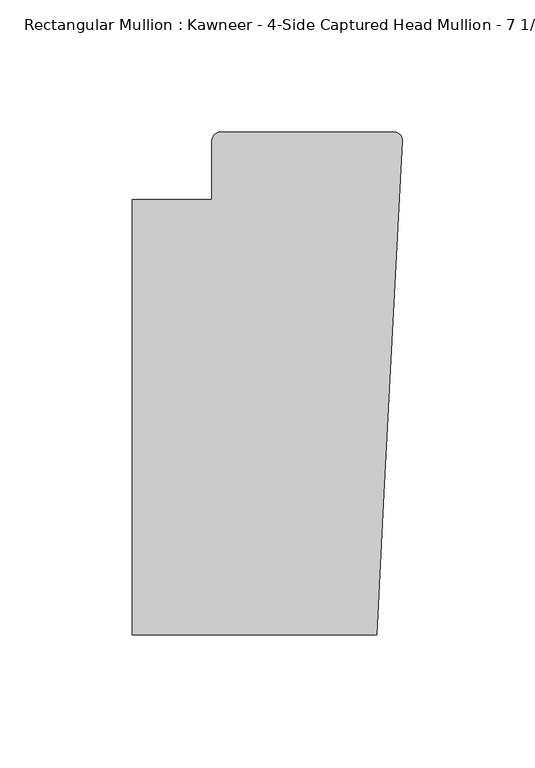
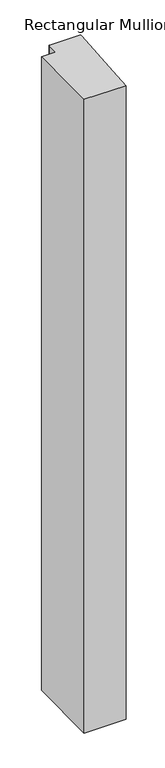
"""IFC4 building model written with IfcOpenShell, lengths in millimetres: member geometry."""

from ifc_helpers import new_model, si_unit, frame, origin, place, context, project, spatial, circle_curve, source, transform, mapped, element, save
from ifc_brep_helpers import plane_surface, cylinder_surface, advanced_brep


def member_30d391bd(model_context):
    return source(origin(), model_context, "Body", "AdvancedBrep", [
        advanced_brep(
        [(-9.7860662, -151.892, 0.0), (-6.9873394, -98.4891117, 0.0), (-0.0041105, 34.7588278, 0.0), (-3.175, 38.0999944, 0.0), (-68.798975, 38.0999944, 0.0), (-71.9739395, 34.9099677, 0.0), (-71.9739395, 12.7, 0.0), (-102.08978, 12.7, 0.0), (-102.08978, -151.892, 0.0), (-9.7860662, -151.892, -1484.9016552), (-102.08978, -151.892, -1484.9016552), (-102.08978, 12.7, -1484.9016552), (-71.9739395, 12.7, -1484.9016552), (-71.9739395, 34.9099677, -1484.9016552), (-68.798975, 38.0999944, -1484.9016552), (-3.175, 38.0999944, -1484.9016552), (-0.006635, 34.7198406, -1484.9016552), (-6.9873394, -98.4891117, -1484.9016552)],
        [
            (0, 1),
            (1, 2),
            (2, 3, circle_curve(frame((-3.175, 34.9249944, 0.0), z_axis=(0.0, 0.0, 1.0), x_axis=(0.0, 1.0, 0.0)), 3.175)),
            (3, 4),
            (4, 5, circle_curve(frame((-68.798975, 34.9249944, 0.0), z_axis=(0.0, 0.0, 1.0), x_axis=(-0.9999888001458095, -0.004732819766726053, 0.0)), 3.175)),
            (5, 6),
            (6, 7),
            (7, 8),
            (8, 0),
            (9, 10),
            (10, 11),
            (11, 12),
            (12, 13),
            (13, 14, circle_curve(frame((-68.798975, 34.9249944, -1484.9016552), z_axis=(0.0, 0.0, -1.0), x_axis=(-0.9999888001458095, -0.004732819766726053, 0.0)), 3.175)),
            (14, 15),
            (15, 16, circle_curve(frame((-3.175, 34.9249944, -1484.9016552), z_axis=(0.0, 0.0, -1.0), x_axis=(0.0, 1.0, 0.0)), 3.175)),
            (16, 17),
            (17, 9),
            (0, 9),
            (17, 1),
            (16, 2),
            (15, 3),
            (14, 4),
            (13, 5),
            (12, 6),
            (11, 7),
            (10, 8),
        ],
        [
            plane_surface(frame((0.0, -183.0123025, 0.0), z_axis=(0.0, 0.0, 1.0), x_axis=(-1.0, 0.0, 0.0))),
            plane_surface(frame((0.0, -183.0123025, -1484.9016552), z_axis=(0.0, 0.0, -1.0), x_axis=(-1.0, 0.0, 0.0))),
            plane_surface(frame((-9.7860662, -151.892, 0.0), z_axis=(0.9986295347545738, -0.052335956242944896, 0.0), x_axis=(0.0, 0.0, -1.0))),
            plane_surface(frame((-6.9873394, -98.4891117, 0.0), z_axis=(0.9986295346400468, -0.05233595842825238, 0.0), x_axis=(0.0, 0.0, -1.0))),
            cylinder_surface(frame((-3.175, 34.9249944, 0.0), z_axis=(0.0, 0.0, 1.0), x_axis=(0.0, 1.0, 0.0)), 3.175),
            plane_surface(frame((-3.175, 38.0999944, 0.0), z_axis=(0.0, 1.0, 0.0), x_axis=(0.0, 0.0, -1.0))),
            cylinder_surface(frame((-68.798975, 34.9249944, 0.0), z_axis=(0.0, 0.0, 1.0), x_axis=(-0.9999888001458095, -0.004732819766726053, 0.0)), 3.175),
            plane_surface(frame((-71.9739395, 34.9099677, 0.0), z_axis=(-1.0, 0.0, 0.0), x_axis=(0.0, 0.0, -1.0))),
            plane_surface(frame((-71.9739395, 12.7, 0.0), z_axis=(0.0, 1.0, 0.0), x_axis=(0.0, 0.0, -1.0))),
            plane_surface(frame((-102.08978, 12.7, 0.0), z_axis=(-1.0, 0.0, 0.0), x_axis=(0.0, 0.0, -1.0))),
            plane_surface(frame((-102.08978, -151.892, 0.0), z_axis=(0.0, -1.0, 0.0), x_axis=(0.0, 0.0, -1.0))),
        ],
        [
            (0, [[1, 2, 3, 4, 5, 6, 7, 8, 9]]),
            (1, [[10, 11, 12, 13, 14, 15, 16, 17, 18]]),
            (2, [[-1, 19, -18, 20]]),
            (3, [[-2, -20, -17, 21]]),
            (4, [[-3, -21, -16, 22]]),
            (5, [[-4, -22, -15, 23]]),
            (6, [[-5, -23, -14, 24]]),
            (7, [[-6, -24, -13, 25]]),
            (8, [[-7, -25, -12, 26]]),
            (9, [[-8, -26, -11, 27]]),
            (10, [[-9, -27, -10, -19]]),
        ],
    ),
    ])


if __name__ == "__main__":
    model = new_model("IFC4")
    model_context = context("Model", 3, world=origin())
    ifc_project = project(units=[si_unit("LENGTHUNIT", "METRE", prefix="MILLI")], contexts=[model_context])
    site = spatial("IfcSite", under=ifc_project)
    building = spatial("IfcBuilding", under=site)
    placement = place(None, origin())
    member_shape = member_30d391bd(model_context)
    element("IfcMember", 1, ObjectType="Rectangular Mullion : Kawneer - 4-Side Captured Head Mullion - 7 1/2\"", at=placement, inside=building, context=model_context, shape_type="MappedRepresentation", body=[
        mapped(member_shape, transform((0.0, 0.0, 0.0), x_axis=(1.0, 0.0, 0.0), y_axis=(0.0, 1.0, 0.0), z_axis=(0.0, 0.0, 1.0))),
    ])
    save(model, "model.ifc")
